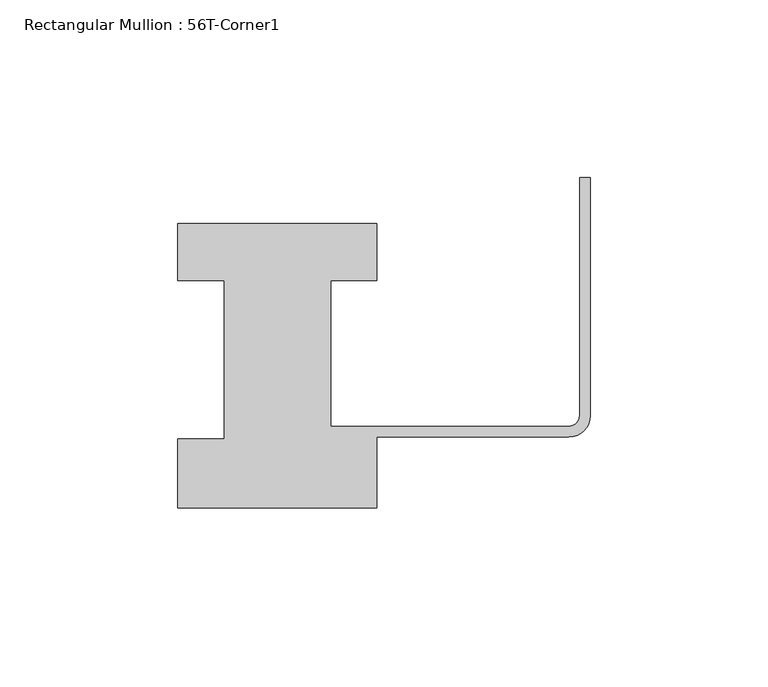
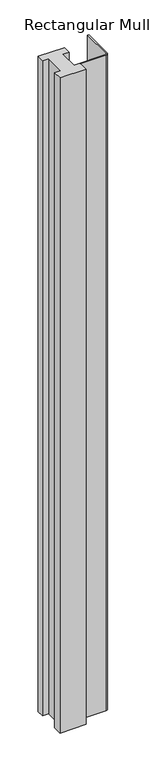
"""IFC4 building model written with IfcOpenShell, lengths in millimetres: member geometry, Rectangular Mullion : 56T-Corner1."""

from ifc_helpers import new_model, si_unit, point, frame, frame_2d, origin, place, context, project, spatial, polyline, circle_curve, trimmed, segment, composite_curve, outline, extrude, source, transform, mapped, element, save


def rectangular_mullion_56t_corner1_ae2ae21f(model_context):
    return source(origin(), model_context, "Body", "SweptSolid", [
        extrude(outline(composite_curve([segment(polyline([(-116.0, -20.0), (-116.0, -0.5), (-103.0, -0.5), (-103.0, 44.0), (-116.0, 44.0), (-116.0, 60.0), (-60.0, 60.0), (-60.0, 44.0), (-73.0, 44.0), (-73.0, 3.0), (-6.0, 3.0)]), True, "CONTINUOUS"), segment(trimmed(circle_curve(frame_2d((-6.0, 6.0)), 3.0), [point((-6.0, 3.0))], [point((-3.0, 6.0))], True, "CARTESIAN"), True, "CONTINUOUS"), segment(polyline([(-3.0, 6.0), (-3.0, 73.0), (0.0, 73.0), (0.0, 6.0)]), True, "CONTINUOUS"), segment(trimmed(circle_curve(frame_2d((-6.0, 6.0)), 6.0), [point((0.0, 6.0))], [point((-6.0, 0.0))], False, "CARTESIAN"), True, "CONTINUOUS"), segment(polyline([(-6.0, 0.0), (-60.0, 0.0), (-60.0, -20.0), (-116.0, -20.0)]), True, "CONTINUOUS")], self_intersect=False)), frame((0.0, 0.0, -1477.534293), z_axis=(0.0, 0.0, 1.0), x_axis=(1.0, 0.0, 0.0)), (0.0, 0.0, 1.0), 1477.534293),
    ])


if __name__ == "__main__":
    model = new_model("IFC4")
    model_context = context("Model", 3, world=origin())
    ifc_project = project(units=[si_unit("LENGTHUNIT", "METRE", prefix="MILLI")], contexts=[model_context])
    site = spatial("IfcSite", under=ifc_project)
    building = spatial("IfcBuilding", under=site)
    placement = place(None, origin())
    rectangular_mullion_56t_corner1_shape = rectangular_mullion_56t_corner1_ae2ae21f(model_context)
    element("IfcMember", 1, ObjectType="Rectangular Mullion : 56T-Corner1", at=placement, inside=building, context=model_context, shape_type="MappedRepresentation", body=[
        mapped(rectangular_mullion_56t_corner1_shape, transform((0.0, 0.0, 0.0), x_axis=(1.0, 0.0, 0.0), y_axis=(0.0, 1.0, 0.0), z_axis=(0.0, 0.0, 1.0))),
    ])
    save(model, "model.ifc")
